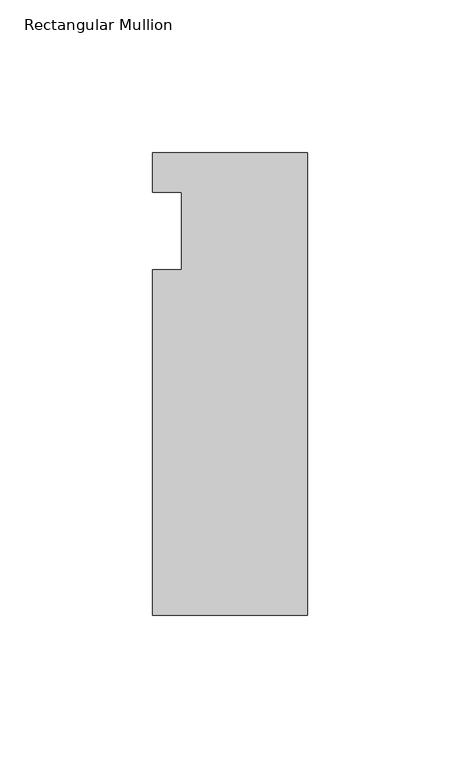
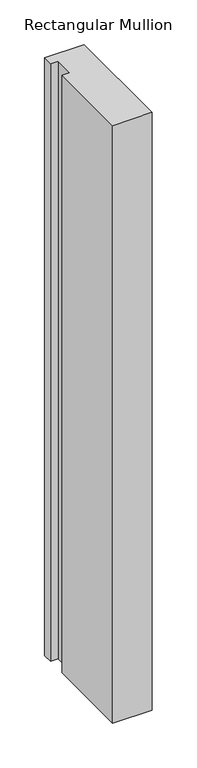
"""IFC4 building model written with IfcOpenShell, lengths in millimetres: member geometry, Rectangular Mullion."""

from ifc_helpers import new_model, si_unit, frame, origin, place, context, project, spatial, polyline, outline, extrude, source, transform, mapped, element, save


def rectangular_mullion_4b640f8c(model_context):
    return source(origin(), model_context, "Body", "SweptSolid", [
        extrude(outline(polyline([(-50.8, 25.7961253), (0.0, 25.7961253), (0.0, -125.8036906), (-50.8, -125.8036906), (-50.8, -12.7), (-41.275, -12.7), (-41.275, 12.7), (-50.8, 12.7), (-50.8, 25.7961253)])), frame((0.0, 0.0, -812.8), z_axis=(0.0, 0.0, 1.0), x_axis=(1.0, 0.0, 0.0)), (0.0, 0.0, 1.0), 812.8),
    ])


if __name__ == "__main__":
    model = new_model("IFC4")
    model_context = context("Model", 3, world=origin())
    ifc_project = project(units=[si_unit("LENGTHUNIT", "METRE", prefix="MILLI")], contexts=[model_context])
    site = spatial("IfcSite", under=ifc_project)
    building = spatial("IfcBuilding", under=site)
    placement = place(None, origin())
    rectangular_mullion_shape = rectangular_mullion_4b640f8c(model_context)
    element("IfcMember", 1, ObjectType="Rectangular Mullion", at=placement, inside=building, context=model_context, shape_type="MappedRepresentation", body=[
        mapped(rectangular_mullion_shape, transform((0.0, 0.0, 0.0), x_axis=(1.0, 0.0, 0.0), y_axis=(0.0, 1.0, 0.0), z_axis=(0.0, 0.0, 1.0))),
    ])
    save(model, "model.ifc")
